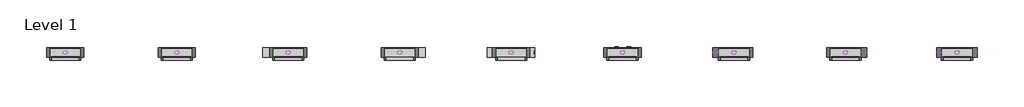
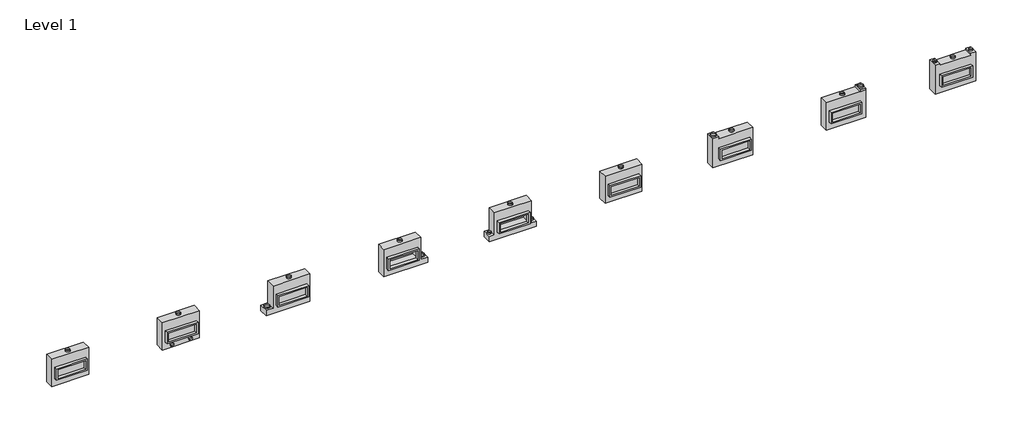
# One storey: 32 proxies.
"""IFC4 building model written with IfcOpenShell, lengths in millimetres."""

import ifcopenshell
import ifcopenshell.guid

model = None  # the IFC model being written
_history = None  # IfcOwnerHistory: only IFC2X3 demands one
_inside = {}  # id of a spatial element -> (the spatial element, [elements in it])
_under = {}  # id of a project, library or spatial element -> (it, [spatial elements below it])
_declared = {}  # id of a project -> (the project, [libraries it declares])
_typed = {}  # id of a type object -> (the type object, [elements of that type])
_made_of = {}  # id of a material, layer set ... -> (it, [elements and type objects made of it])


def new_model(schema):
    """Start an empty IFC model of exactly this schema.

    Asked for "IFC4X3", IfcOpenShell would pick the latest addendum, in which some entities
    have other attributes; the version numbers below select the first issue.
    IFC2X3 requires an IfcOwnerHistory on every rooted entity: one is made here for all.
    """
    global model, _history
    if schema == "IFC4X3":
        model = ifcopenshell.file(schema_version=(4, 3, 0, 0))
    else:
        model = ifcopenshell.file(schema=schema)
    _inside.clear()
    _under.clear()
    _declared.clear()
    _typed.clear()
    _made_of.clear()
    _history = None
    if model.schema == "IFC2X3":
        org = make("IfcOrganization", Name="unknown")
        user = make(
            "IfcPersonAndOrganization",
            ThePerson=make("IfcPerson", FamilyName="unknown"),
            TheOrganization=org,
        )
        app = make(
            "IfcApplication",
            ApplicationDeveloper=org,
            Version="unknown",
            ApplicationFullName="unknown",
            ApplicationIdentifier="unknown",
        )
        _history = make(
            "IfcOwnerHistory",
            OwningUser=user,
            OwningApplication=app,
            ChangeAction="ADDED",
            CreationDate=0,
        )
    return model


def make(cls, **values):
    """One entity of the class cls with the attributes given. An attribute that is None is left unset."""
    return model.create_entity(
        cls, **{name: value for name, value in values.items() if value is not None}
    )


def rooted(cls, **values):
    """An entity with a GlobalId (a new one), such as an element, a storey or a relation."""
    return make(cls, GlobalId=ifcopenshell.guid.new(), OwnerHistory=_history, **values)


def si_unit(unit_type, name, prefix=None):
    """IfcSIUnit, for example si_unit("LENGTHUNIT", "METRE", prefix="MILLI")."""
    return make("IfcSIUnit", UnitType=unit_type, Prefix=prefix, Name=name)


def assignment(units):
    """IfcUnitAssignment: the units of a project."""
    return None if units is None else make("IfcUnitAssignment", Units=units)


def point(xyz):
    """IfcCartesianPoint."""
    return None if xyz is None else make("IfcCartesianPoint", Coordinates=xyz)


def direction(xyz):
    """IfcDirection."""
    return None if xyz is None else make("IfcDirection", DirectionRatios=xyz)


def frame(location, z_axis=None, x_axis=None):
    """IfcAxis2Placement3D, a coordinate frame: its origin and axes. An axis left out is left unset."""
    return make(
        "IfcAxis2Placement3D",
        Location=point(location),
        Axis=direction(z_axis),
        RefDirection=direction(x_axis),
    )


def frame_2d(location, x_axis=None):
    """IfcAxis2Placement2D, a coordinate frame in the plane: its origin and x axis."""
    return make(
        "IfcAxis2Placement2D", Location=point(location), RefDirection=direction(x_axis)
    )


def origin():
    """The frame at (0, 0, 0) with its axes left unset."""
    return frame((0.0, 0.0, 0.0))


def origin_with_axes():
    """The frame at (0, 0, 0) with the z axis (0, 0, 1) and the x axis (1, 0, 0) written out."""
    return frame((0.0, 0.0, 0.0), z_axis=(0.0, 0.0, 1.0), x_axis=(1.0, 0.0, 0.0))


def origin_2d():
    """The frame at (0, 0) in the plane with its x axis left unset."""
    return frame_2d((0.0, 0.0))


def place(relative_to, where):
    """IfcLocalPlacement: puts the frame where relative to a parent placement (None: the world)."""
    return make(
        "IfcLocalPlacement", PlacementRelTo=relative_to, RelativePlacement=where
    )


def context(
    kind, dimensions, precision=None, world=None, true_north=None, identifier=None
):
    """IfcGeometricRepresentationContext, for example the 3D "Model" context."""
    return make(
        "IfcGeometricRepresentationContext",
        ContextIdentifier=identifier,
        ContextType=kind,
        CoordinateSpaceDimension=dimensions,
        Precision=precision,
        WorldCoordinateSystem=world,
        TrueNorth=true_north,
    )


def project(units=None, contexts=None):
    """IfcProject with its units and contexts."""
    return rooted(
        "IfcProject",
        Name="project",
        RepresentationContexts=contexts,
        UnitsInContext=assignment(units),
    )


def spatial(cls, under=None, at=None, **own):
    """A site, building, storey or space (cls), placed at a placement, below another one or the project."""
    s = rooted(cls, ObjectPlacement=at, **own)
    if under is not None:
        _under.setdefault(under.id(), (under, []))[1].append(s)
    return s


def polyline(points):
    """IfcPolyline through the points."""
    return make("IfcPolyline", Points=[point(p) for p in points])


def circle_curve(where, radius):
    """IfcCircle in the frame where."""
    return make("IfcCircle", Position=where, Radius=radius)


def trimmed(basis, trim1, trim2, sense, master):
    """IfcTrimmedCurve: the piece of a basis curve between two trims."""
    return make(
        "IfcTrimmedCurve",
        BasisCurve=basis,
        Trim1=trim1,
        Trim2=trim2,
        SenseAgreement=sense,
        MasterRepresentation=master,
    )


def segment(curve, same_sense, transition):
    """IfcCompositeCurveSegment."""
    return make(
        "IfcCompositeCurveSegment",
        Transition=transition,
        SameSense=same_sense,
        ParentCurve=curve,
    )


def composite_curve(segments, self_intersect=None):
    """IfcCompositeCurve: segments joined end to end."""
    return make("IfcCompositeCurve", Segments=segments, SelfIntersect=self_intersect)


def outline(outer, holes=None, kind="AREA"):
    """IfcArbitraryClosedProfileDef: a profile drawn as a closed curve; with holes, ...WithVoids."""
    if holes is None:
        return make("IfcArbitraryClosedProfileDef", ProfileType=kind, OuterCurve=outer)
    return make(
        "IfcArbitraryProfileDefWithVoids",
        ProfileType=kind,
        OuterCurve=outer,
        InnerCurves=holes,
    )


def extrude(swept, where, along, depth):
    """IfcExtrudedAreaSolid: the profile swept, set in the frame where, extruded along a direction by depth."""
    return make(
        "IfcExtrudedAreaSolid",
        SweptArea=swept,
        Position=where,
        ExtrudedDirection=direction(along),
        Depth=depth,
    )


def faces_of(points, faces, orient=None, outer=None):
    """IfcFace entities. A face is a list of loops; a loop is a list of indices into points, from 0.

    orient and outer hold one flag for each loop. By default every Orientation is true, the
    first loop of a face is its IfcFaceOuterBound and the others are IfcFaceBound.
    """
    made = []
    for i, loops in enumerate(faces):
        bounds = []
        for j, loop in enumerate(loops):
            is_outer = j == 0 if outer is None else outer[i][j]
            bounds.append(
                make(
                    "IfcFaceOuterBound" if is_outer else "IfcFaceBound",
                    Bound=make("IfcPolyLoop", Polygon=[points[k] for k in loop]),
                    Orientation=True if orient is None else orient[i][j],
                )
            )
        made.append(make("IfcFace", Bounds=bounds))
    return made


def faceted_brep(points, faces, orient=None, outer=None, voids=None):
    """IfcFacetedBrep: a solid bounded by flat faces; with voids (closed shells), ...WithVoids."""
    shared = [point(p) for p in points]
    hull = make("IfcClosedShell", CfsFaces=faces_of(shared, faces, orient, outer))
    if voids is None:
        return make("IfcFacetedBrep", Outer=hull)
    return make(
        "IfcFacetedBrepWithVoids",
        Outer=hull,
        Voids=[
            make(cls, CfsFaces=faces_of(shared, fs, o, b)) for cls, fs, o, b in voids
        ],
    )


def shape(context_of_items, identifier, shape_type, items):
    """IfcShapeRepresentation: the items that make up one representation, for example the "Body"."""
    return make(
        "IfcShapeRepresentation",
        ContextOfItems=context_of_items,
        RepresentationIdentifier=identifier,
        RepresentationType=shape_type,
        Items=items,
    )


def source(mapping_origin, context_of_items, identifier, shape_type, items):
    """IfcRepresentationMap: a shape defined once, which mapped items show again and again."""
    return make(
        "IfcRepresentationMap",
        MappingOrigin=mapping_origin,
        MappedRepresentation=shape(context_of_items, identifier, shape_type, items),
    )


def transform(
    local_origin,
    x_axis=None,
    y_axis=None,
    z_axis=None,
    scale=None,
    scale2=None,
    scale3=None,
    uniform=True,
):
    """IfcCartesianTransformationOperator3D, or its non-uniform kind. x_axis, y_axis, z_axis: its Axis1, 2, 3."""
    if uniform:
        return make(
            "IfcCartesianTransformationOperator3D",
            Axis1=direction(x_axis),
            Axis2=direction(y_axis),
            LocalOrigin=point(local_origin),
            Scale=scale,
            Axis3=direction(z_axis),
        )
    return make(
        "IfcCartesianTransformationOperator3DnonUniform",
        Axis1=direction(x_axis),
        Axis2=direction(y_axis),
        LocalOrigin=point(local_origin),
        Scale=scale,
        Axis3=direction(z_axis),
        Scale2=scale2,
        Scale3=scale3,
    )


def mapped(mapping_source, mapping_target):
    """IfcMappedItem: shows the shape of a source again, moved by a transform."""
    return make(
        "IfcMappedItem", MappingSource=mapping_source, MappingTarget=mapping_target
    )


def made_of(thing, what):
    """Note that an element or type object is made of a material, layer set ...; save() writes the relation."""
    if what is not None:
        _made_of.setdefault(what.id(), (what, []))[1].append(thing)
    return thing


def element(
    cls,
    number,
    at=None,
    inside=None,
    cuts=None,
    type_object=None,
    material=None,
    context=None,
    identifier="Body",
    shape_type=None,
    held_by="IfcProductDefinitionShape",
    body=None,
    shapes=None,
    **own,
):
    """One element of the class cls, such as IfcWall. Its Tag is "e" and its number.

    at: its placement. inside: the storey or other place that contains it. cuts: it is an
    opening in that element (IfcRelVoidsElement). A single representation is given by context,
    identifier, shape_type and body (its items); several are given by shapes. held_by: the class
    of the entity that holds the representations. save() writes the other relations.
    """
    e = rooted(cls, Tag="e%d" % number, ObjectPlacement=at, **own)
    if body is not None:
        shapes = [shape(context, identifier, shape_type, body)]
    if shapes is not None:
        e.Representation = make(held_by, Representations=shapes)
    if inside is not None:
        _inside.setdefault(inside.id(), (inside, []))[1].append(e)
    if cuts is not None:
        rooted(
            "IfcRelVoidsElement", RelatingBuildingElement=cuts, RelatedOpeningElement=e
        )
    if type_object is not None:
        _typed.setdefault(type_object.id(), (type_object, []))[1].append(e)
    return made_of(e, material)


def aggregate(whole, parts):
    """IfcRelAggregates: a whole, such as a stair, and the parts it consists of."""
    return rooted("IfcRelAggregates", RelatingObject=whole, RelatedObjects=parts)


def save(model, path):
    """Write the relations noted so far, then the file.

    IfcRelAggregates (storeys below a building ...), IfcRelContainedInSpatialStructure (elements
    in a storey), IfcRelDefinesByType, IfcRelAssociatesMaterial and IfcRelDeclares: one each for
    every whole, place, type object, material and project.
    """
    for whole, parts in _under.values():
        aggregate(whole, parts)
    for where, things in _inside.values():
        rooted(
            "IfcRelContainedInSpatialStructure",
            RelatedElements=things,
            RelatingStructure=where,
        )
    for kind, things in _typed.values():
        rooted("IfcRelDefinesByType", RelatedObjects=things, RelatingType=kind)
    for what, things in _made_of.values():
        rooted("IfcRelAssociatesMaterial", RelatedObjects=things, RelatingMaterial=what)
    for by, libraries in _declared.values():
        rooted("IfcRelDeclares", RelatingContext=by, RelatedDefinitions=libraries)
    model.write(path)


def as_specified_b72967be(model_context):
    return source(origin(), model_context, "Body", "SolidModel", [
        extrude(outline(polyline([(850.9, 273.05), (850.9, -387.35), (-850.9, -387.35), (-850.9, 273.05), (850.9, 273.05)]), holes=[polyline([(762.0, 196.85), (-762.0, 196.85), (-762.0, -311.15), (762.0, -311.15), (762.0, 196.85)])]), frame((0.0, 0.0, -25.4), z_axis=(0.0, 0.0, 1.0), x_axis=(1.0, 0.0, 0.0)), (0.0, 0.0, 1.0), 165.1),
        extrude(outline(polyline([(762.0, 196.85), (762.0, -311.15), (-762.0, -311.15), (-762.0, 196.85), (762.0, 196.85)])), frame((0.0, 0.0, -30.3609375), z_axis=(0.0, 0.0, 1.0), x_axis=(1.0, 0.0, 0.0)), (0.0, 0.0, 1.0), 4.9609375),
        faceted_brep([(1016.0, -793.75, -523.875), (-1016.0, -793.75, -523.875), (-1016.0, 793.75, -523.875), (1016.0, 793.75, -523.875), (1016.0, 793.75, -25.4), (-1016.0, 793.75, -25.4), (-1016.0, -793.75, -25.4), (1016.0, -793.75, -25.4), (850.9, 273.05, -25.4), (850.9, -387.35, -25.4), (-850.9, -387.35, -25.4), (-850.9, 273.05, -25.4), (850.9, 273.05, -498.475), (-850.9, 273.05, -498.475), (-850.9, -387.35, -498.475), (850.9, -387.35, -498.475)], [[[0, 1, 2, 3]], [[4, 5, 6, 7], [8, 9, 10, 11]], [[3, 2, 5, 4]], [[2, 1, 6, 5]], [[0, 3, 4, 7]], [[12, 13, 14, 15]], [[14, 13, 11, 10]], [[13, 12, 8, 11]], [[12, 15, 9, 8]], [[10, 9, 15, 14]], [[1, 0, 7, 6]]]),
    ])


def as_specified_32e9bbdd(model_context):
    return source(origin(), model_context, "Body", "SolidModel", [
        extrude(outline(polyline([(850.9, 273.05), (850.9, -387.35), (-850.9, -387.35), (-850.9, 273.05), (850.9, 273.05)]), holes=[polyline([(762.0, 196.85), (-762.0, 196.85), (-762.0, -311.15), (762.0, -311.15), (762.0, 196.85)])]), frame((0.0, 0.0, -25.4), z_axis=(0.0, 0.0, 1.0), x_axis=(1.0, 0.0, 0.0)), (0.0, 0.0, 1.0), 165.1),
        faceted_brep([(-1016.0, 793.75, -523.875), (1016.0, 793.75, -523.875), (1016.0, -488.95, -523.875), (1295.4, -488.95, -523.875), (1295.4, -793.75, -523.875), (-1295.4, -793.75, -523.875), (-1295.4, -488.95, -523.875), (-1016.0, -488.95, -523.875), (1016.0, 793.75, -25.4), (-1016.0, 793.75, -25.4), (-1016.0, -488.95, -25.4), (-1295.4, -488.95, -25.4), (-1295.4, -793.75, -25.4), (1295.4, -793.75, -25.4), (1295.4, -488.95, -25.4), (1016.0, -488.95, -25.4), (-850.9, -387.35, -25.4), (-850.9, 273.05, -25.4), (850.9, 273.05, -25.4), (850.9, -387.35, -25.4), (850.9, 273.05, -498.475), (-850.9, 273.05, -498.475), (-850.9, -387.35, -498.475), (850.9, -387.35, -498.475)], [[[0, 1, 2, 3, 4, 5, 6, 7]], [[8, 9, 10, 11, 12, 13, 14, 15], [16, 17, 18, 19]], [[1, 0, 9, 8]], [[9, 0, 7, 10]], [[1, 8, 15, 2]], [[20, 21, 22, 23]], [[22, 21, 17, 16]], [[21, 20, 18, 17]], [[20, 23, 19, 18]], [[23, 22, 16, 19]], [[5, 4, 13, 12]], [[3, 2, 15, 14]], [[4, 3, 14, 13]], [[7, 6, 11, 10]], [[6, 5, 12, 11]]]),
    ])


def as_specified_c18f1730(model_context):
    return source(origin(), model_context, "Body", "SolidModel", [
        extrude(outline(polyline([(850.9, 273.05), (850.9, -387.35), (-850.9, -387.35), (-850.9, 273.05), (850.9, 273.05)]), holes=[polyline([(762.0, 196.85), (-762.0, 196.85), (-762.0, -311.15), (762.0, -311.15), (762.0, 196.85)])]), frame((0.0, 0.0, -25.4), z_axis=(0.0, 0.0, 1.0), x_axis=(1.0, 0.0, 0.0)), (0.0, 0.0, 1.0), 165.1),
        extrude(outline(polyline([(762.0, 196.85), (762.0, -311.15), (-762.0, -311.15), (-762.0, 196.85), (762.0, 196.85)])), frame((0.0, 0.0, -30.3609375), z_axis=(0.0, 0.0, 1.0), x_axis=(1.0, 0.0, 0.0)), (0.0, 0.0, 1.0), 4.9609375),
        faceted_brep([(-1016.0, 793.75, -523.875), (1016.0, 793.75, -523.875), (1016.0, -793.75, -523.875), (-1397.0, -793.75, -523.875), (-1397.0, -488.95, -523.875), (-1016.0, -488.95, -523.875), (1016.0, 793.75, -25.4), (-1016.0, 793.75, -25.4), (-1016.0, -488.95, -25.4), (-1397.0, -488.95, -25.4), (-1397.0, -793.75, -25.4), (1016.0, -793.75, -25.4), (-850.9, -387.35, -25.4), (-850.9, 273.05, -25.4), (850.9, 273.05, -25.4), (850.9, -387.35, -25.4), (850.9, 273.05, -498.475), (-850.9, 273.05, -498.475), (-850.9, -387.35, -498.475), (850.9, -387.35, -498.475)], [[[0, 1, 2, 3, 4, 5]], [[6, 7, 8, 9, 10, 11], [12, 13, 14, 15]], [[1, 0, 7, 6]], [[7, 0, 5, 8]], [[1, 6, 11, 2]], [[16, 17, 18, 19]], [[18, 17, 13, 12]], [[17, 16, 14, 13]], [[16, 19, 15, 14]], [[12, 15, 19, 18]], [[3, 2, 11, 10]], [[5, 4, 9, 8]], [[4, 3, 10, 9]]]),
    ])


def as_specified_13ea6484(model_context):
    return source(origin(), model_context, "Body", "SolidModel", [
        extrude(outline(polyline([(850.9, 273.05), (850.9, -387.35), (-850.9, -387.35), (-850.9, 273.05), (850.9, 273.05)]), holes=[polyline([(762.0, 196.85), (-762.0, 196.85), (-762.0, -311.15), (762.0, -311.15), (762.0, 196.85)])]), frame((0.0, 0.0, -25.4), z_axis=(0.0, 0.0, 1.0), x_axis=(1.0, 0.0, 0.0)), (0.0, 0.0, 1.0), 165.1),
        faceted_brep([(-1016.0, 793.75, -523.875), (1016.0, 793.75, -523.875), (1016.0, -488.95, -523.875), (1397.0, -488.95, -523.875), (1397.0, -793.75, -523.875), (-1016.0, -793.75, -523.875), (1016.0, 793.75, -25.4), (-1016.0, 793.75, -25.4), (-1016.0, -793.75, -25.4), (1397.0, -793.75, -25.4), (1397.0, -488.95, -25.4), (1016.0, -488.95, -25.4), (-850.9, -387.35, -25.4), (-850.9, 273.05, -25.4), (850.9, 273.05, -25.4), (850.9, -387.35, -25.4), (850.9, 273.05, -498.475), (-850.9, 273.05, -498.475), (-850.9, -387.35, -498.475), (850.9, -387.35, -498.475)], [[[0, 1, 2, 3, 4, 5]], [[6, 7, 8, 9, 10, 11], [12, 13, 14, 15]], [[1, 0, 7, 6]], [[7, 0, 5, 8]], [[1, 6, 11, 2]], [[16, 17, 18, 19]], [[18, 17, 13, 12]], [[17, 16, 14, 13]], [[16, 19, 15, 14]], [[19, 18, 12, 15]], [[5, 4, 9, 8]], [[3, 2, 11, 10]], [[4, 3, 10, 9]]]),
    ])


def as_specified_79efa0f4(model_context):
    return source(origin(), model_context, "Body", "SolidModel", [
        extrude(outline(polyline([(850.9, 273.05), (850.9, -387.35), (-850.9, -387.35), (-850.9, 273.05), (850.9, 273.05)]), holes=[polyline([(762.0, 196.85), (-762.0, 196.85), (-762.0, -311.15), (762.0, -311.15), (762.0, 196.85)])]), frame((0.0, 0.0, -25.4), z_axis=(0.0, 0.0, 1.0), x_axis=(1.0, 0.0, 0.0)), (0.0, 0.0, 1.0), 165.1),
        extrude(outline(polyline([(762.0, 196.85), (762.0, -311.15), (-762.0, -311.15), (-762.0, 196.85), (762.0, 196.85)])), frame((0.0, 0.0, -30.3609375), z_axis=(0.0, 0.0, 1.0), x_axis=(1.0, 0.0, 0.0)), (0.0, 0.0, 1.0), 4.9609375),
        faceted_brep([(1117.6, -793.75, -523.875), (-1117.6, -793.75, -523.875), (-1117.6, 895.35, -523.875), (-850.9, 895.35, -523.875), (-850.9, 793.75, -523.875), (850.9, 793.75, -523.875), (850.9, 895.35, -523.875), (1117.6, 895.35, -523.875), (-1117.6, -793.75, -25.4), (1117.6, -793.75, -25.4), (1117.6, 895.35, -25.4), (850.9, 895.35, -25.4), (850.9, 793.75, -25.4), (-850.9, 793.75, -25.4), (-850.9, 895.35, -25.4), (-1117.6, 895.35, -25.4), (-850.9, -387.35, -25.4), (-850.9, 273.05, -25.4), (850.9, 273.05, -25.4), (850.9, -387.35, -25.4), (850.9, 273.05, -498.475), (-850.9, 273.05, -498.475), (-850.9, -387.35, -498.475), (850.9, -387.35, -498.475)], [[[0, 1, 2, 3, 4, 5, 6, 7]], [[8, 9, 10, 11, 12, 13, 14, 15], [16, 17, 18, 19]], [[4, 13, 12, 5]], [[1, 8, 15, 2]], [[10, 9, 0, 7]], [[20, 21, 22, 23]], [[22, 21, 17, 16]], [[21, 20, 18, 17]], [[20, 23, 19, 18]], [[16, 19, 23, 22]], [[1, 0, 9, 8]], [[4, 3, 14, 13]], [[3, 2, 15, 14]], [[6, 5, 12, 11]], [[7, 6, 11, 10]]]),
    ])


def as_specified_9e8813c1(model_context):
    return source(origin(), model_context, "Body", "SolidModel", [
        extrude(outline(polyline([(850.9, 273.05), (850.9, -387.35), (-850.9, -387.35), (-850.9, 273.05), (850.9, 273.05)]), holes=[polyline([(762.0, 196.85), (-762.0, 196.85), (-762.0, -311.15), (762.0, -311.15), (762.0, 196.85)])]), frame((0.0, 0.0, -25.4), z_axis=(0.0, 0.0, 1.0), x_axis=(1.0, 0.0, 0.0)), (0.0, 0.0, 1.0), 165.1),
        extrude(outline(polyline([(762.0, 196.85), (762.0, -311.15), (-762.0, -311.15), (-762.0, 196.85), (762.0, 196.85)])), frame((0.0, 0.0, -30.3609375), z_axis=(0.0, 0.0, 1.0), x_axis=(1.0, 0.0, 0.0)), (0.0, 0.0, 1.0), 4.9609375),
        faceted_brep([(1016.0, -793.75, -523.875), (-1168.4, -793.75, -523.875), (-1168.4, 895.35, -523.875), (-850.9, 895.35, -523.875), (-850.9, 793.75, -523.875), (1016.0, 793.75, -523.875), (-1168.4, -793.75, -25.4), (1016.0, -793.75, -25.4), (1016.0, 793.75, -25.4), (-850.9, 793.75, -25.4), (-850.9, 895.35, -25.4), (-1168.4, 895.35, -25.4), (-850.9, -387.35, -25.4), (-850.9, 273.05, -25.4), (850.9, 273.05, -25.4), (850.9, -387.35, -25.4), (850.9, 273.05, -498.475), (-850.9, 273.05, -498.475), (-850.9, -387.35, -498.475), (850.9, -387.35, -498.475)], [[[0, 1, 2, 3, 4, 5]], [[6, 7, 8, 9, 10, 11], [12, 13, 14, 15]], [[8, 5, 4, 9]], [[2, 1, 6, 11]], [[5, 8, 7, 0]], [[16, 17, 18, 19]], [[18, 17, 13, 12]], [[17, 16, 14, 13]], [[16, 19, 15, 14]], [[12, 15, 19, 18]], [[1, 0, 7, 6]], [[4, 3, 10, 9]], [[3, 2, 11, 10]]]),
    ])


def as_specified_57f6d878(model_context):
    return source(origin(), model_context, "Body", "SolidModel", [
        extrude(outline(polyline([(850.9, 273.05), (850.9, -387.35), (-850.9, -387.35), (-850.9, 273.05), (850.9, 273.05)]), holes=[polyline([(762.0, 196.85), (-762.0, 196.85), (-762.0, -311.15), (762.0, -311.15), (762.0, 196.85)])]), frame((0.0, 0.0, -25.4), z_axis=(0.0, 0.0, 1.0), x_axis=(1.0, 0.0, 0.0)), (0.0, 0.0, 1.0), 165.1),
        extrude(outline(polyline([(850.9, 793.75), (850.9, 895.35), (1168.4, 895.35), (1168.4, 793.75), (850.9, 793.75)])), frame((0.0, 0.0, -523.875), z_axis=(0.0, 0.0, 1.0), x_axis=(1.0, 0.0, 0.0)), (0.0, 0.0, 1.0), 498.475),
        extrude(outline(polyline([(762.0, 196.85), (762.0, -311.15), (-762.0, -311.15), (-762.0, 196.85), (762.0, 196.85)])), frame((0.0, 0.0, -30.3609375), z_axis=(0.0, 0.0, 1.0), x_axis=(1.0, 0.0, 0.0)), (0.0, 0.0, 1.0), 4.9609375),
        faceted_brep([(1168.4, -793.75, -523.875), (-1016.0, -793.75, -523.875), (-1016.0, 793.75, -523.875), (1168.4, 793.75, -523.875), (1168.4, 793.75, -25.4), (-1016.0, 793.75, -25.4), (-1016.0, -793.75, -25.4), (1168.4, -793.75, -25.4), (850.9, 273.05, -25.4), (850.9, -387.35, -25.4), (-850.9, -387.35, -25.4), (-850.9, 273.05, -25.4), (850.9, 273.05, -498.475), (-850.9, 273.05, -498.475), (-850.9, -387.35, -498.475), (850.9, -387.35, -498.475)], [[[0, 1, 2, 3]], [[4, 5, 6, 7], [8, 9, 10, 11]], [[3, 2, 5, 4]], [[2, 1, 6, 5]], [[0, 3, 4, 7]], [[12, 13, 14, 15]], [[14, 13, 11, 10]], [[13, 12, 8, 11]], [[12, 15, 9, 8]], [[10, 9, 15, 14]], [[1, 0, 7, 6]]]),
    ])


def duct_dia_2f6b1a6e(model_context):
    return source(origin(), model_context, "Body", "SweptSolid", [
        extrude(outline(composite_curve([segment(trimmed(circle_curve(origin_2d(), 100.0621094), [point((-100.0621094, 0.0))], [point((100.0621094, 0.0))], False, "CARTESIAN"), True, "CONTINUOUS"), segment(trimmed(circle_curve(origin_2d(), 100.0621094), [point((100.0621094, 0.0))], [point((-100.0621094, 0.0))], False, "CARTESIAN"), True, "CONTINUOUS")], self_intersect=False), holes=[composite_curve([segment(trimmed(circle_curve(origin_2d(), 98.4746094), [point((-98.4746094, 0.0))], [point((98.4746094, 0.0))], True, "CARTESIAN"), True, "CONTINUOUS"), segment(trimmed(circle_curve(origin_2d(), 98.4746094), [point((98.4746094, 0.0))], [point((-98.4746094, 0.0))], True, "CARTESIAN"), True, "CONTINUOUS")], self_intersect=False)]), origin_with_axes(), (0.0, 0.0, 1.0), 76.2),
    ])


def duct_dia_4e7178c8(model_context):
    return source(origin(), model_context, "Body", "SweptSolid", [
        extrude(outline(composite_curve([segment(trimmed(circle_curve(origin_2d(), 150.8621094), [point((-150.8621094, 0.0))], [point((150.8621094, 0.0))], False, "CARTESIAN"), True, "CONTINUOUS"), segment(trimmed(circle_curve(origin_2d(), 150.8621094), [point((150.8621094, 0.0))], [point((-150.8621094, 0.0))], False, "CARTESIAN"), True, "CONTINUOUS")], self_intersect=False), holes=[composite_curve([segment(trimmed(circle_curve(origin_2d(), 149.2746094), [point((-149.2746094, 0.0))], [point((149.2746094, 0.0))], True, "CARTESIAN"), True, "CONTINUOUS"), segment(trimmed(circle_curve(origin_2d(), 149.2746094), [point((149.2746094, 0.0))], [point((-149.2746094, 0.0))], True, "CARTESIAN"), True, "CONTINUOUS")], self_intersect=False)]), origin_with_axes(), (0.0, 0.0, 1.0), 76.2),
    ])


def proxy_c1ba4f62(model_context):
    return source(origin(), model_context, "Body", "SweptSolid", [
        extrude(outline(composite_curve([segment(trimmed(circle_curve(origin_2d(), 103.1875), [point((-103.1875, 0.0))], [point((103.1875, 0.0))], False, "CARTESIAN"), True, "CONTINUOUS"), segment(trimmed(circle_curve(origin_2d(), 103.1875), [point((103.1875, 0.0))], [point((-103.1875, 0.0))], False, "CARTESIAN"), True, "CONTINUOUS")], self_intersect=False), holes=[composite_curve([segment(trimmed(circle_curve(origin_2d(), 101.6), [point((-101.6, 0.0))], [point((101.6, 0.0))], True, "CARTESIAN"), True, "CONTINUOUS"), segment(trimmed(circle_curve(origin_2d(), 101.6), [point((101.6, 0.0))], [point((-101.6, 0.0))], True, "CARTESIAN"), True, "CONTINUOUS")], self_intersect=False)]), origin_with_axes(), (0.0, 0.0, 1.0), 6.35),
    ])


def proxy_d8bd2570(model_context):
    return source(origin(), model_context, "Body", "SweptSolid", [
        extrude(outline(composite_curve([segment(trimmed(circle_curve(origin_2d(), 123.825), [point((-123.825, 0.0))], [point((123.825, 0.0))], False, "CARTESIAN"), True, "CONTINUOUS"), segment(trimmed(circle_curve(origin_2d(), 123.825), [point((123.825, 0.0))], [point((-123.825, 0.0))], False, "CARTESIAN"), True, "CONTINUOUS")], self_intersect=False), holes=[composite_curve([segment(trimmed(circle_curve(origin_2d(), 122.2375), [point((-122.2375, 0.0))], [point((122.2375, 0.0))], True, "CARTESIAN"), True, "CONTINUOUS"), segment(trimmed(circle_curve(origin_2d(), 122.2375), [point((122.2375, 0.0))], [point((-122.2375, 0.0))], True, "CARTESIAN"), True, "CONTINUOUS")], self_intersect=False)]), origin_with_axes(), (0.0, 0.0, 1.0), 76.2),
    ])


model = new_model("IFC4")

# Units and contexts
model_context = context("Model", 3, world=origin())
ifc_project = project(units=[si_unit("LENGTHUNIT", "METRE", prefix="MILLI")], contexts=[model_context])

# Site, building, storey
site = spatial("IfcSite", under=ifc_project)
building = spatial("IfcBuilding", under=site)
storey = spatial("IfcBuildingStorey", under=building, Name="Level 1", Elevation=0.0)

# Proxies
placement = place(None, origin())
as_specified_shape = as_specified_b72967be(model_context)
element("IfcBuildingElementProxy", 1, Name="As Specified", ObjectType="As Specified", at=placement, inside=storey, context=model_context, shape_type="MappedRepresentation", body=[
    mapped(as_specified_shape, transform((16620.0574402, 1616.7712992, 1219.2), x_axis=(1.0, 0.0, 0.0), y_axis=(0.0, 0.0, 1.0), z_axis=(0.0, -1.0, 0.0))),
])
element("IfcBuildingElementProxy", 2, Name="As Specified", ObjectType="As Specified", at=placement, inside=storey, context=model_context, shape_type="MappedRepresentation", body=[
    mapped(as_specified_shape, transform((-7763.9425598, 1616.7712992, 1219.2), x_axis=(1.0, 0.0, 0.0), y_axis=(0.0, 0.0, 1.0), z_axis=(0.0, -1.0, 0.0))),
])
as_specified_2_shape = as_specified_32e9bbdd(model_context)
element("IfcBuildingElementProxy", 3, Name="As Specified", ObjectType="As Specified", at=placement, inside=storey, context=model_context, shape_type="MappedRepresentation", body=[
    mapped(as_specified_2_shape, transform((10524.0574402, 1616.7712992, 1219.2), x_axis=(1.0, 0.0, 0.0), y_axis=(0.0, 0.0, 1.0), z_axis=(0.0, -1.0, 0.0))),
])
as_specified_3_shape = as_specified_c18f1730(model_context)
element("IfcBuildingElementProxy", 4, Name="As Specified", ObjectType="As Specified", at=placement, inside=storey, context=model_context, shape_type="MappedRepresentation", body=[
    mapped(as_specified_3_shape, transform((-1667.9425598, 1616.7712992, 1219.2), x_axis=(1.0, 0.0, 0.0), y_axis=(0.0, 0.0, 1.0), z_axis=(0.0, -1.0, 0.0))),
])
as_specified_4_shape = as_specified_13ea6484(model_context)
element("IfcBuildingElementProxy", 5, Name="As Specified", ObjectType="As Specified", at=placement, inside=storey, context=model_context, shape_type="MappedRepresentation", body=[
    mapped(as_specified_4_shape, transform((4428.0574402, 1616.7712992, 1219.2), x_axis=(1.0, 0.0, 0.0), y_axis=(0.0, 0.0, 1.0), z_axis=(0.0, -1.0, 0.0))),
])
as_specified_5_shape = as_specified_79efa0f4(model_context)
element("IfcBuildingElementProxy", 6, Name="As Specified", ObjectType="As Specified", at=placement, inside=storey, context=model_context, shape_type="MappedRepresentation", body=[
    mapped(as_specified_5_shape, transform((34908.0574402, 1616.7712992, 1219.2), x_axis=(1.0, 0.0, 0.0), y_axis=(0.0, 0.0, 1.0), z_axis=(0.0, -1.0, 0.0))),
])
as_specified_6_shape = as_specified_9e8813c1(model_context)
element("IfcBuildingElementProxy", 7, Name="As Specified", ObjectType="As Specified", at=placement, inside=storey, context=model_context, shape_type="MappedRepresentation", body=[
    mapped(as_specified_6_shape, transform((22716.0574402, 1616.7712992, 1219.2), x_axis=(1.0, 0.0, 0.0), y_axis=(0.0, 0.0, 1.0), z_axis=(0.0, -1.0, 0.0))),
])
as_specified_7_shape = as_specified_57f6d878(model_context)
element("IfcBuildingElementProxy", 8, Name="As Specified", ObjectType="As Specified", at=placement, inside=storey, context=model_context, shape_type="MappedRepresentation", body=[
    mapped(as_specified_7_shape, transform((28812.0574402, 1616.7712992, 1219.2), x_axis=(1.0, 0.0, 0.0), y_axis=(0.0, 0.0, 1.0), z_axis=(0.0, -1.0, 0.0))),
])
element("IfcBuildingElementProxy", 9, Name="As Specified", ObjectType="As Specified", at=placement, inside=storey, context=model_context, shape_type="MappedRepresentation", body=[
    mapped(as_specified_shape, transform((-13859.9425598, 1616.7712992, 1219.2), x_axis=(1.0, 0.0, 0.0), y_axis=(0.0, 0.0, 1.0), z_axis=(0.0, -1.0, 0.0))),
])
duct_dia_shape = duct_dia_2f6b1a6e(model_context)
element("IfcBuildingElementProxy", 10, Name="Duct Dia", ObjectType="Duct Dia", at=placement, inside=storey, context=model_context, shape_type="MappedRepresentation", body=[
    mapped(duct_dia_shape, transform((-8271.9425598, 1642.1712992, 603.25), x_axis=(-1.0, 0.0, 0.0), y_axis=(0.0, 0.0, -1.0), z_axis=(0.0, -1.0, 0.0))),
])
element("IfcBuildingElementProxy", 11, Name="Duct Dia", ObjectType="Duct Dia", at=placement, inside=storey, context=model_context, shape_type="MappedRepresentation", body=[
    mapped(duct_dia_shape, transform((-7255.9425598, 1642.1712992, 603.25), x_axis=(-1.0, 0.0, 0.0), y_axis=(0.0, 0.0, -1.0), z_axis=(0.0, -1.0, 0.0))),
])
element("IfcBuildingElementProxy", 12, Name="Duct Dia", ObjectType="Duct Dia", at=placement, inside=storey, context=model_context, shape_type="MappedRepresentation", body=[
    mapped(duct_dia_shape, transform((9368.3574402, 1891.4087992, 730.25), x_axis=(1.0, 0.0, 0.0), y_axis=(0.0, 1.0, 0.0), z_axis=(0.0, 0.0, 1.0))),
])
element("IfcBuildingElementProxy", 13, Name="Duct Dia", ObjectType="Duct Dia", at=placement, inside=storey, context=model_context, shape_type="MappedRepresentation", body=[
    mapped(duct_dia_shape, transform((33923.8074402, 1891.4087992, 2114.55), x_axis=(1.0, 0.0, 0.0), y_axis=(0.0, 1.0, 0.0), z_axis=(0.0, 0.0, 1.0))),
])
element("IfcBuildingElementProxy", 14, Name="Duct Dia", ObjectType="Duct Dia", at=placement, inside=storey, context=model_context, shape_type="MappedRepresentation", body=[
    mapped(duct_dia_shape, transform((11679.7574402, 1891.4087992, 730.25), x_axis=(-1.0, 0.0, 0.0), y_axis=(0.0, -1.0, 0.0), z_axis=(0.0, 0.0, 1.0))),
])
element("IfcBuildingElementProxy", 15, Name="Duct Dia", ObjectType="Duct Dia", at=placement, inside=storey, context=model_context, shape_type="MappedRepresentation", body=[
    mapped(duct_dia_shape, transform((16281.3907735, 2140.6462992, 603.25), x_axis=(-1.0, 0.0, 0.0), y_axis=(0.0, 0.0, 1.0), z_axis=(0.0, 1.0, 0.0))),
])
element("IfcBuildingElementProxy", 16, Name="Duct Dia", ObjectType="Duct Dia", at=placement, inside=storey, context=model_context, shape_type="MappedRepresentation", body=[
    mapped(duct_dia_shape, transform((16958.7241068, 2140.6462992, 603.25), x_axis=(-1.0, 0.0, 0.0), y_axis=(0.0, 0.0, 1.0), z_axis=(0.0, 1.0, 0.0))),
])
element("IfcBuildingElementProxy", 17, Name="Duct Dia", ObjectType="Duct Dia", at=placement, inside=storey, context=model_context, shape_type="MappedRepresentation", body=[
    mapped(duct_dia_shape, transform((35892.3074402, 1891.4087992, 2114.55), x_axis=(-1.0, 0.0, 0.0), y_axis=(0.0, -1.0, 0.0), z_axis=(0.0, 0.0, 1.0))),
])
duct_dia_2_shape = duct_dia_4e7178c8(model_context)
element("IfcBuildingElementProxy", 18, Name="Duct Dia", ObjectType="Duct Dia", at=placement, inside=storey, context=model_context, shape_type="MappedRepresentation", body=[
    mapped(duct_dia_2_shape, transform((-2874.4425598, 1891.4087992, 730.25), x_axis=(1.0, 0.0, 0.0), y_axis=(0.0, 1.0, 0.0), z_axis=(0.0, 0.0, 1.0))),
])
element("IfcBuildingElementProxy", 19, Name="Duct Dia", ObjectType="Duct Dia", at=placement, inside=storey, context=model_context, shape_type="MappedRepresentation", body=[
    mapped(duct_dia_2_shape, transform((5634.5574402, 1891.4087992, 730.25), x_axis=(-1.0, 0.0, 0.0), y_axis=(0.0, -1.0, 0.0), z_axis=(0.0, 0.0, 1.0))),
])
element("IfcBuildingElementProxy", 20, Name="Duct Dia", ObjectType="Duct Dia", at=placement, inside=storey, context=model_context, shape_type="MappedRepresentation", body=[
    mapped(duct_dia_2_shape, transform((21706.4074402, 1891.4087992, 2114.55), x_axis=(1.0, 0.0, 0.0), y_axis=(0.0, 1.0, 0.0), z_axis=(0.0, 0.0, 1.0))),
])
element("IfcBuildingElementProxy", 21, Name="Duct Dia", ObjectType="Duct Dia", at=placement, inside=storey, context=model_context, shape_type="MappedRepresentation", body=[
    mapped(duct_dia_2_shape, transform((29821.7074402, 1891.4087992, 2114.55), x_axis=(-1.0, 0.0, 0.0), y_axis=(0.0, -1.0, 0.0), z_axis=(0.0, 0.0, 1.0))),
])
proxy_shape = proxy_c1ba4f62(model_context)
element("IfcBuildingElementProxy", 22, Name="Duct Dia : 8 1/8\" Dia", ObjectType="Duct Dia : 8 1/8\" Dia", at=placement, inside=storey, context=model_context, shape_type="MappedRepresentation", body=[
    mapped(proxy_shape, transform((-14367.9425598, 1891.4087992, 425.45), x_axis=(1.0, 0.0, 0.0), y_axis=(0.0, -1.0, 0.0), z_axis=(0.0, 0.0, -1.0))),
])
element("IfcBuildingElementProxy", 23, Name="Duct Dia : 8 1/8\" Dia", ObjectType="Duct Dia : 8 1/8\" Dia", at=placement, inside=storey, context=model_context, shape_type="MappedRepresentation", body=[
    mapped(proxy_shape, transform((-13351.9425598, 1891.4087992, 425.45), x_axis=(1.0, 0.0, 0.0), y_axis=(0.0, -1.0, 0.0), z_axis=(0.0, 0.0, -1.0))),
])
proxy_2_shape = proxy_d8bd2570(model_context)
element("IfcBuildingElementProxy", 24, Name="Duct Dia : 9 3/4\" Dia.", ObjectType="Duct Dia : 9 3/4\" Dia.", at=placement, inside=storey, context=model_context, shape_type="MappedRepresentation", body=[
    mapped(proxy_2_shape, transform((-13859.9425598, 1891.4087992, 2012.95), x_axis=(1.0, 0.0, 0.0), y_axis=(0.0, 1.0, 0.0), z_axis=(0.0, 0.0, 1.0))),
])
element("IfcBuildingElementProxy", 25, Name="Duct Dia : 9 3/4\" Dia.", ObjectType="Duct Dia : 9 3/4\" Dia.", at=placement, inside=storey, context=model_context, shape_type="MappedRepresentation", body=[
    mapped(proxy_2_shape, transform((-7763.9425598, 1891.4087992, 2012.95), x_axis=(1.0, 0.0, 0.0), y_axis=(0.0, 1.0, 0.0), z_axis=(0.0, 0.0, 1.0))),
])
element("IfcBuildingElementProxy", 26, Name="Duct Dia : 9 3/4\" Dia.", ObjectType="Duct Dia : 9 3/4\" Dia.", at=placement, inside=storey, context=model_context, shape_type="MappedRepresentation", body=[
    mapped(proxy_2_shape, transform((-1667.9425598, 1891.4087992, 2012.95), x_axis=(1.0, 0.0, 0.0), y_axis=(0.0, 1.0, 0.0), z_axis=(0.0, 0.0, 1.0))),
])
element("IfcBuildingElementProxy", 27, Name="Duct Dia : 9 3/4\" Dia.", ObjectType="Duct Dia : 9 3/4\" Dia.", at=placement, inside=storey, context=model_context, shape_type="MappedRepresentation", body=[
    mapped(proxy_2_shape, transform((4428.0574402, 1891.4087992, 2012.95), x_axis=(1.0, 0.0, 0.0), y_axis=(0.0, 1.0, 0.0), z_axis=(0.0, 0.0, 1.0))),
])
element("IfcBuildingElementProxy", 28, Name="Duct Dia : 9 3/4\" Dia.", ObjectType="Duct Dia : 9 3/4\" Dia.", at=placement, inside=storey, context=model_context, shape_type="MappedRepresentation", body=[
    mapped(proxy_2_shape, transform((10524.0574402, 1891.4087992, 2012.95), x_axis=(1.0, 0.0, 0.0), y_axis=(0.0, 1.0, 0.0), z_axis=(0.0, 0.0, 1.0))),
])
element("IfcBuildingElementProxy", 29, Name="Duct Dia : 9 3/4\" Dia.", ObjectType="Duct Dia : 9 3/4\" Dia.", at=placement, inside=storey, context=model_context, shape_type="MappedRepresentation", body=[
    mapped(proxy_2_shape, transform((16620.0574402, 1891.4087992, 2012.95), x_axis=(1.0, 0.0, 0.0), y_axis=(0.0, 1.0, 0.0), z_axis=(0.0, 0.0, 1.0))),
])
element("IfcBuildingElementProxy", 30, Name="Duct Dia : 9 3/4\" Dia.", ObjectType="Duct Dia : 9 3/4\" Dia.", at=placement, inside=storey, context=model_context, shape_type="MappedRepresentation", body=[
    mapped(proxy_2_shape, transform((22716.0574402, 1891.4087992, 2012.95), x_axis=(1.0, 0.0, 0.0), y_axis=(0.0, 1.0, 0.0), z_axis=(0.0, 0.0, 1.0))),
])
element("IfcBuildingElementProxy", 31, Name="Duct Dia : 9 3/4\" Dia.", ObjectType="Duct Dia : 9 3/4\" Dia.", at=placement, inside=storey, context=model_context, shape_type="MappedRepresentation", body=[
    mapped(proxy_2_shape, transform((28812.0574402, 1891.4087992, 2012.95), x_axis=(1.0, 0.0, 0.0), y_axis=(0.0, 1.0, 0.0), z_axis=(0.0, 0.0, 1.0))),
])
element("IfcBuildingElementProxy", 32, Name="Duct Dia : 9 3/4\" Dia.", ObjectType="Duct Dia : 9 3/4\" Dia.", at=placement, inside=storey, context=model_context, shape_type="MappedRepresentation", body=[
    mapped(proxy_2_shape, transform((34908.0574402, 1891.4087992, 2012.95), x_axis=(1.0, 0.0, 0.0), y_axis=(0.0, 1.0, 0.0), z_axis=(0.0, 0.0, 1.0))),
])

save(model, "model.ifc")
